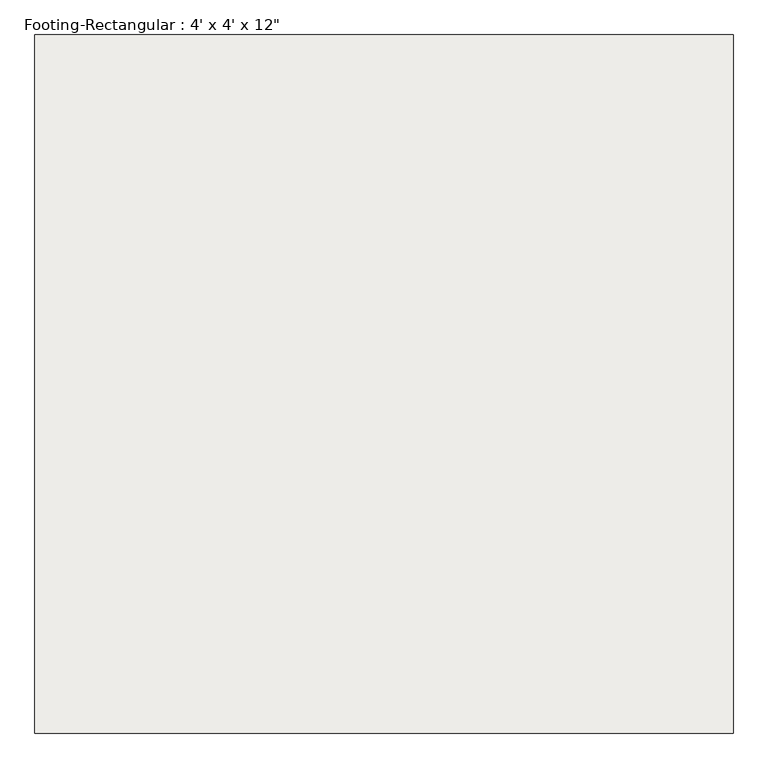
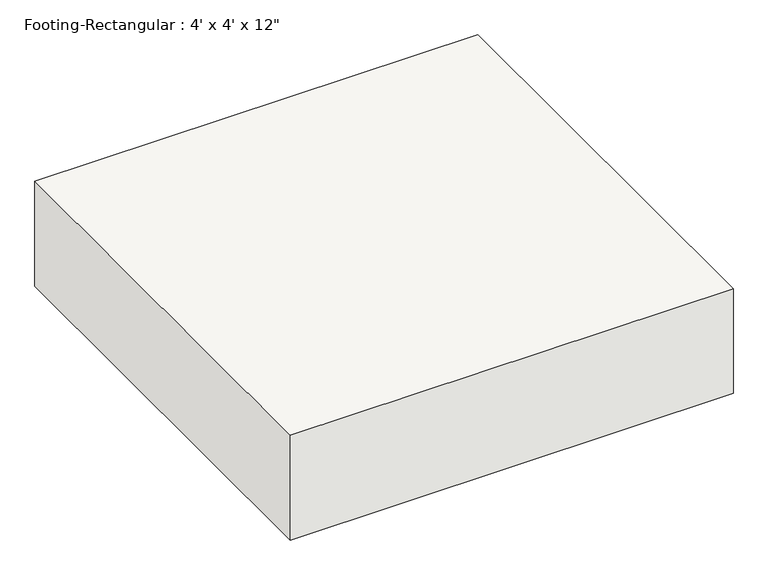
"""IFC4 building model written with IfcOpenShell, lengths in millimetres: slab geometry."""

from ifc_helpers import new_model, si_unit, frame, origin, place, context, project, spatial, polyline, outline, extrude, source, transform, mapped, element, save


def slab_cc6aa31b(model_context):
    return source(origin(), model_context, "Body", "SweptSolid", [
        extrude(outline(polyline([(609.6, 609.6), (609.6, -609.6), (-609.6, -609.6), (-609.6, 609.6), (609.6, 609.6)])), frame((0.0, 0.0, -304.8), z_axis=(0.0, 0.0, 1.0), x_axis=(1.0, 0.0, 0.0)), (0.0, 0.0, 1.0), 304.8),
    ])


if __name__ == "__main__":
    model = new_model("IFC4")
    model_context = context("Model", 3, world=origin())
    ifc_project = project(units=[si_unit("LENGTHUNIT", "METRE", prefix="MILLI")], contexts=[model_context])
    site = spatial("IfcSite", under=ifc_project)
    building = spatial("IfcBuilding", under=site)
    placement = place(None, origin())
    slab_shape = slab_cc6aa31b(model_context)
    element("IfcSlab", 1, ObjectType="Footing-Rectangular : 4' x 4' x 12\"", at=placement, inside=building, context=model_context, shape_type="MappedRepresentation", body=[
        mapped(slab_shape, transform((0.0, 0.0, 0.0), x_axis=(1.0, 0.0, 0.0), y_axis=(0.0, 1.0, 0.0), z_axis=(0.0, 0.0, 1.0))),
    ])
    save(model, "model.ifc")
